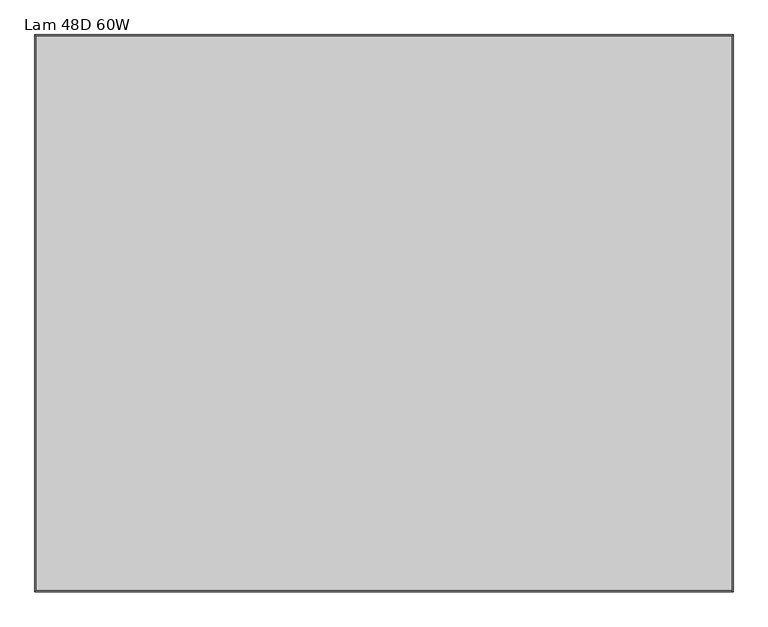
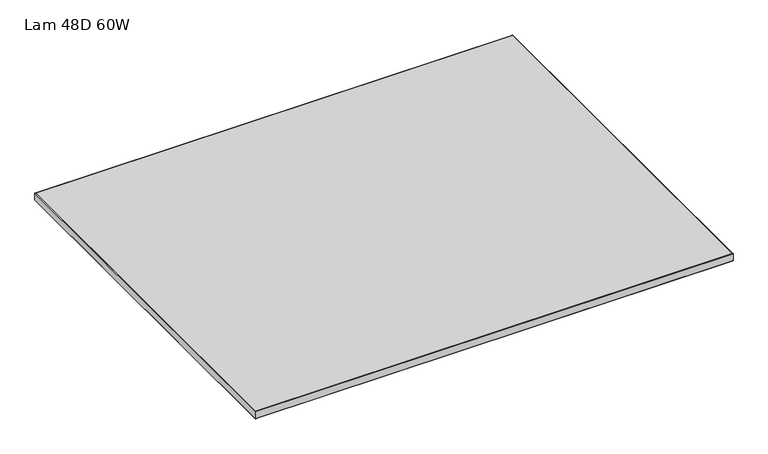
"""IFC4 building model written with IfcOpenShell, lengths in millimetres: furniture geometry, Lam 48D 60W."""

from ifc_helpers import new_model, si_unit, frame, origin, place, context, project, spatial, polyline, ellipse_curve, outline, extrude, source, transform, mapped, element, save
from ifc_brep_helpers import plane_surface, cylinder_surface, advanced_brep


def lam_48d_60w_514b53b4(model_context):
    return source(origin(), model_context, "Body", "SolidModel", [
        advanced_brep(
        [(-397.0, 604.8248, 723.9), (-397.0, 604.8248, 698.5), (1119.3518, 604.8248, 698.5), (1119.3518, 604.8248, 723.9), (1119.3518, -604.8248, 698.5), (1119.3518, -604.8248, 723.9), (-397.0, -604.8248, 698.5), (-397.0, -604.8248, 723.9), (-398.6002, 606.425, 700.1002), (-398.6002, 606.425, 722.2998), (1120.952, 606.425, 722.2998), (1120.952, 606.425, 700.1002), (1120.952, -606.425, 722.2998), (1120.952, -606.425, 700.1002), (-398.6002, -606.425, 722.2998), (-398.6002, -606.425, 700.1002)],
        [
            (0, 1),
            (1, 2),
            (2, 3),
            (3, 0),
            (2, 4),
            (4, 5),
            (5, 3),
            (4, 6),
            (6, 7),
            (7, 5),
            (6, 1),
            (0, 7),
            (8, 9),
            (9, 10),
            (10, 11),
            (11, 8),
            (10, 12),
            (12, 13),
            (13, 11),
            (12, 14),
            (14, 15),
            (15, 13),
            (14, 9),
            (8, 15),
            (9, 0, ellipse_curve(frame((-397.0, 604.8248, 722.2998), z_axis=(0.7071067811865475, 0.7071067811865475, 0.0), x_axis=(-0.7071067811865476, 0.7071067811865474, 0.0)), 2.2630245, 1.6002)),
            (3, 10, ellipse_curve(frame((1119.3518, 604.8248, 722.2998), z_axis=(-0.7071067811865475, 0.7071067811865475, 0.0), x_axis=(-0.7071067811865476, -0.7071067811865474, 0.0)), 2.2630245, 1.6002)),
            (1, 8, ellipse_curve(frame((-397.0, 604.8248, 700.1002), z_axis=(0.7071067811865475, 0.7071067811865475, 0.0), x_axis=(-0.7071067811865476, 0.7071067811865474, 0.0)), 2.2630245, 1.6002)),
            (11, 2, ellipse_curve(frame((1119.3518, 604.8248, 700.1002), z_axis=(-0.7071067811865475, 0.7071067811865475, 0.0), x_axis=(-0.7071067811865476, -0.7071067811865474, 0.0)), 2.2630245, 1.6002)),
            (5, 12, ellipse_curve(frame((1119.3518, -604.8248, 722.2998), z_axis=(0.7071067811865475, 0.7071067811865475, 0.0), x_axis=(-0.7071067811865474, 0.7071067811865476, 0.0)), 2.2630245, 1.6002)),
            (13, 4, ellipse_curve(frame((1119.3518, -604.8248, 700.1002), z_axis=(0.7071067811865475, 0.7071067811865475, 0.0), x_axis=(-0.7071067811865474, 0.7071067811865476, 0.0)), 2.2630245, 1.6002)),
            (7, 14, ellipse_curve(frame((-397.0, -604.8248, 722.2998), z_axis=(0.7071067811865475, -0.7071067811865475, 0.0), x_axis=(0.7071067811865476, 0.7071067811865474, 0.0)), 2.2630245, 1.6002)),
            (15, 6, ellipse_curve(frame((-397.0, -604.8248, 700.1002), z_axis=(0.7071067811865475, -0.7071067811865475, 0.0), x_axis=(0.7071067811865476, 0.7071067811865474, 0.0)), 2.2630245, 1.6002)),
        ],
        [
            plane_surface(frame((-397.0, 604.8248, 698.5), z_axis=(0.0, -1.0, 0.0), x_axis=(1.0, 0.0, 0.0))),
            plane_surface(frame((1119.3518, 604.8248, 698.5), z_axis=(-1.0, 0.0, 0.0), x_axis=(0.0, -1.0, 0.0))),
            plane_surface(frame((1119.3518, -604.8248, 698.5), z_axis=(0.0, 1.0, 0.0), x_axis=(-1.0, 0.0, 0.0))),
            plane_surface(frame((-397.0, -604.8248, 698.5), z_axis=(1.0, 0.0, 0.0), x_axis=(0.0, 1.0, 0.0))),
            plane_surface(frame((-398.6002, 606.425, 722.2998), z_axis=(0.0, 1.0, 0.0), x_axis=(1.0, 0.0, 0.0))),
            plane_surface(frame((1120.952, 606.425, 722.2998), z_axis=(1.0, 0.0, 0.0), x_axis=(0.0, -1.0, 0.0))),
            plane_surface(frame((1120.952, -606.425, 722.2998), z_axis=(0.0, -1.0, 0.0), x_axis=(-1.0, 0.0, 0.0))),
            plane_surface(frame((-398.6002, -606.425, 722.2998), z_axis=(-1.0, 0.0, 0.0), x_axis=(0.0, 1.0, 0.0))),
            cylinder_surface(frame((-397.0, 604.8248, 722.2998), z_axis=(-1.0, 0.0, 0.0), x_axis=(0.0, -1.0, 0.0)), 1.6002),
            cylinder_surface(frame((-397.0, 604.8248, 700.1002), z_axis=(-1.0, 0.0, 0.0), x_axis=(0.0, -1.0, 0.0)), 1.6002),
            cylinder_surface(frame((1119.3518, 604.8248, 722.2998), z_axis=(0.0, 1.0, 0.0), x_axis=(-1.0, 0.0, 0.0)), 1.6002),
            cylinder_surface(frame((1119.3518, 604.8248, 700.1002), z_axis=(0.0, 1.0, 0.0), x_axis=(-1.0, 0.0, 0.0)), 1.6002),
            cylinder_surface(frame((1119.3518, -604.8248, 722.2998), z_axis=(1.0, 0.0, 0.0), x_axis=(0.0, 1.0, 0.0)), 1.6002),
            cylinder_surface(frame((1119.3518, -604.8248, 700.1002), z_axis=(1.0, 0.0, 0.0), x_axis=(0.0, 1.0, 0.0)), 1.6002),
            cylinder_surface(frame((-397.0, -604.8248, 722.2998), z_axis=(0.0, -1.0, 0.0), x_axis=(1.0, 0.0, 0.0)), 1.6002),
            cylinder_surface(frame((-397.0, -604.8248, 700.1002), z_axis=(0.0, -1.0, 0.0), x_axis=(1.0, 0.0, 0.0)), 1.6002),
        ],
        [
            (0, [[1, 2, 3, 4]]),
            (1, [[-3, 5, 6, 7]]),
            (2, [[-6, 8, 9, 10]]),
            (3, [[-9, 11, -1, 12]]),
            (4, [[13, 14, 15, 16]]),
            (5, [[-15, 17, 18, 19]]),
            (6, [[-18, 20, 21, 22]]),
            (7, [[-21, 23, -13, 24]]),
            (8, [[25, -4, 26, -14]]),
            (9, [[27, -16, 28, -2]]),
            (10, [[-26, -7, 29, -17]]),
            (11, [[-28, -19, 30, -5]]),
            (12, [[-29, -10, 31, -20]]),
            (13, [[-30, -22, 32, -8]]),
            (14, [[-31, -12, -25, -23]]),
            (15, [[-32, -24, -27, -11]]),
        ],
    ),
        extrude(outline(polyline([(1119.3518, 604.8248), (1119.3518, -604.8248), (-397.0, -604.8248), (-397.0, 604.8248), (1119.3518, 604.8248)])), frame((0.0, 0.0, 698.5), z_axis=(0.0, 0.0, 1.0), x_axis=(1.0, 0.0, 0.0)), (0.0, 0.0, 1.0), 25.4),
    ])


if __name__ == "__main__":
    model = new_model("IFC4")
    model_context = context("Model", 3, world=origin())
    ifc_project = project(units=[si_unit("LENGTHUNIT", "METRE", prefix="MILLI")], contexts=[model_context])
    site = spatial("IfcSite", under=ifc_project)
    building = spatial("IfcBuilding", under=site)
    placement = place(None, origin())
    lam_48d_60w_shape = lam_48d_60w_514b53b4(model_context)
    element("IfcFurniture", 1, ObjectType="Lam 48D 60W", at=placement, inside=building, context=model_context, shape_type="MappedRepresentation", body=[
        mapped(lam_48d_60w_shape, transform((0.0, 0.0, 0.0), x_axis=(1.0, 0.0, 0.0), y_axis=(0.0, 1.0, 0.0), z_axis=(0.0, 0.0, 1.0))),
    ])
    save(model, "model.ifc")
